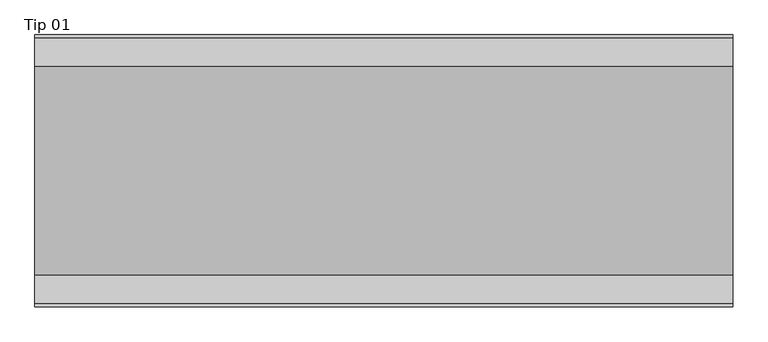
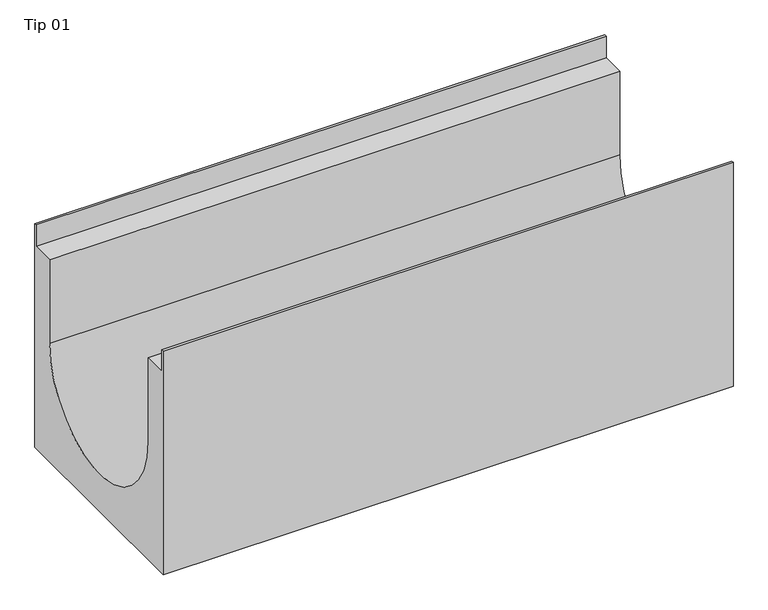
"""IFC4 building model written with IfcOpenShell, lengths in millimetres: proxy geometry, Tip 01."""

from ifc_helpers import new_model, si_unit, point, frame, frame_2d, origin, place, context, project, spatial, polyline, circle_curve, trimmed, segment, composite_curve, outline, extrude, source, transform, mapped, element, save


def tip_01_8654c228(model_context):
    return source(origin(), model_context, "Body", "SweptSolid", [
        extrude(outline(composite_curve([segment(polyline([(-195.0, -415.0), (-195.0, 0.0), (-191.0, 0.0), (-191.0, -40.0), (-150.0, -40.0), (-150.0, -195.0229195)]), True, "CONTINUOUS"), segment(trimmed(circle_curve(frame_2d((0.0, -195.0229195)), 150.0), [point((-150.0, -195.0229195))], [point((150.0, -195.0229195))], True, "CARTESIAN"), True, "CONTINUOUS"), segment(polyline([(150.0, -195.0229195), (150.0, -40.0), (191.0, -40.0), (191.0, 0.0), (195.0, 0.0), (195.0, -415.0), (-195.0, -415.0)]), True, "CONTINUOUS")], self_intersect=False)), frame((0.0, 0.0, 0.0), z_axis=(1.0, 0.0, 0.0), x_axis=(0.0, 1.0, 0.0)), (0.0, 0.0, 1.0), 1000.0),
    ])


if __name__ == "__main__":
    model = new_model("IFC4")
    model_context = context("Model", 3, world=origin())
    ifc_project = project(units=[si_unit("LENGTHUNIT", "METRE", prefix="MILLI")], contexts=[model_context])
    site = spatial("IfcSite", under=ifc_project)
    building = spatial("IfcBuilding", under=site)
    placement = place(None, origin())
    tip_01_shape = tip_01_8654c228(model_context)
    element("IfcBuildingElementProxy", 1, Name="Tip 01", ObjectType="Tip 01", at=placement, inside=building, context=model_context, shape_type="MappedRepresentation", body=[
        mapped(tip_01_shape, transform((0.0, 0.0, 0.0), x_axis=(1.0, 0.0, 0.0), y_axis=(0.0, 1.0, 0.0), z_axis=(0.0, 0.0, 1.0))),
    ])
    save(model, "model.ifc")
